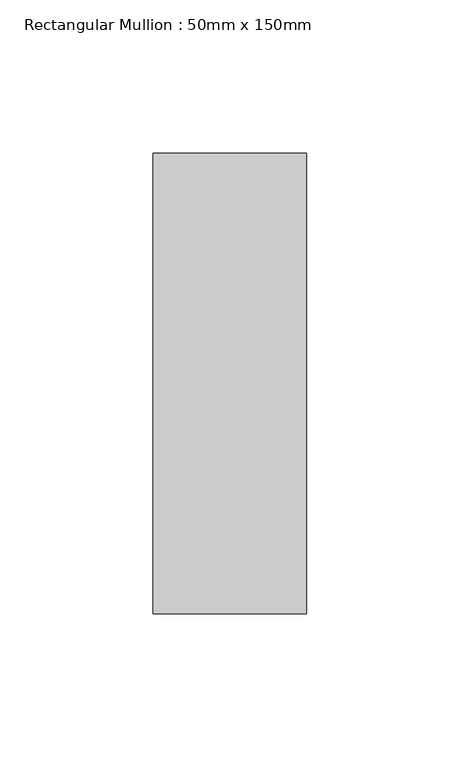
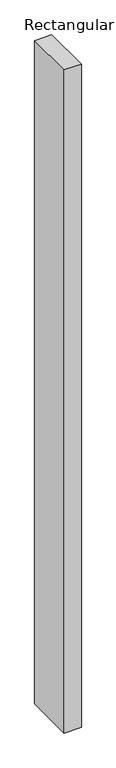
"""IFC4 building model written with IfcOpenShell, lengths in millimetres: member geometry, Rectangular Mullion : 50mm x 150mm."""

from ifc_helpers import new_model, si_unit, frame, origin, place, context, project, spatial, polyline, outline, extrude, source, transform, mapped, element, save


def rectangular_mullion_50mm_x_150mm_3ec430ff(model_context):
    return source(origin(), model_context, "Body", "SweptSolid", [
        extrude(outline(polyline([(0.0, 75.0), (0.0, -75.0), (-50.0, -75.0), (-50.0, 75.0), (0.0, 75.0)])), frame((0.0, 0.0, -2052.0310217), z_axis=(0.0, 0.0, 1.0), x_axis=(1.0, 0.0, 0.0)), (0.0, 0.0, 1.0), 2052.0310217),
    ])


if __name__ == "__main__":
    model = new_model("IFC4")
    model_context = context("Model", 3, world=origin())
    ifc_project = project(units=[si_unit("LENGTHUNIT", "METRE", prefix="MILLI")], contexts=[model_context])
    site = spatial("IfcSite", under=ifc_project)
    building = spatial("IfcBuilding", under=site)
    placement = place(None, origin())
    rectangular_mullion_50mm_x_150mm_shape = rectangular_mullion_50mm_x_150mm_3ec430ff(model_context)
    element("IfcMember", 1, ObjectType="Rectangular Mullion : 50mm x 150mm", at=placement, inside=building, context=model_context, shape_type="MappedRepresentation", body=[
        mapped(rectangular_mullion_50mm_x_150mm_shape, transform((0.0, 0.0, 0.0), x_axis=(1.0, 0.0, 0.0), y_axis=(0.0, 1.0, 0.0), z_axis=(0.0, 0.0, 1.0))),
    ])
    save(model, "model.ifc")
